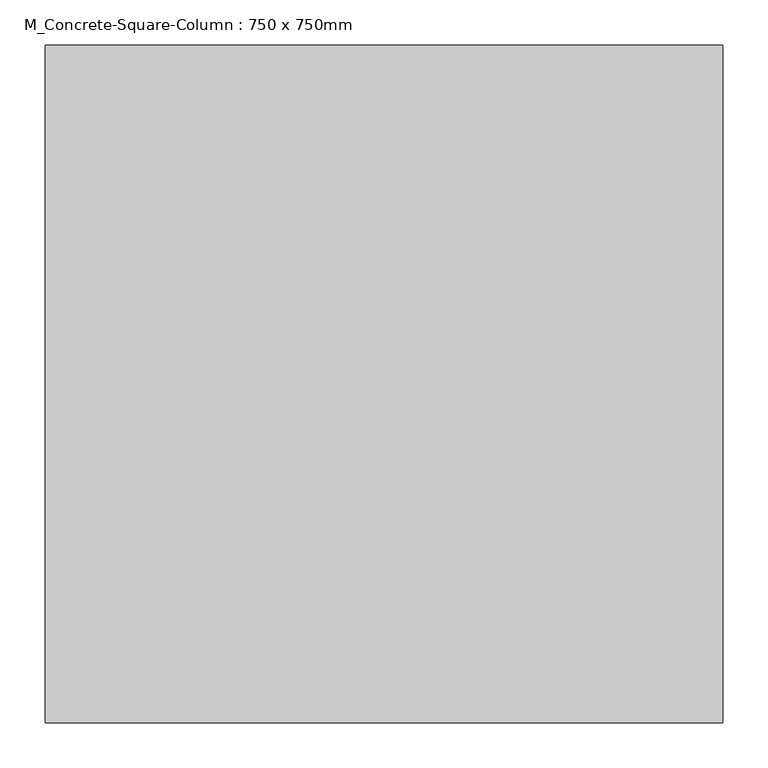
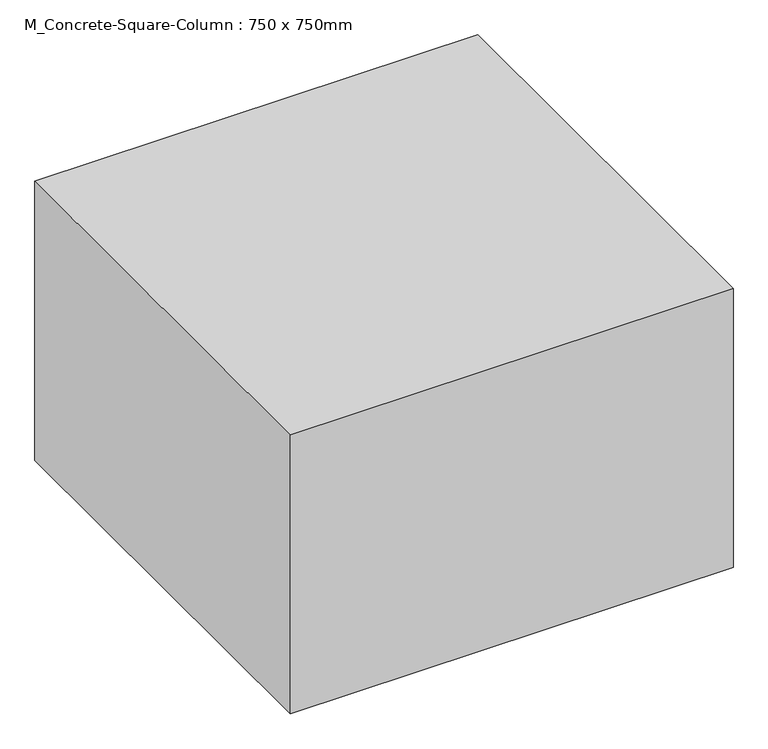
"""IFC4 building model written with IfcOpenShell, lengths in millimetres: column geometry, M_Concrete-Square-Column : 750 x 750mm."""

from ifc_helpers import new_model, si_unit, origin, origin_with_axes, place, context, project, spatial, polyline, outline, extrude, source, transform, mapped, element, save


def m_concrete_square_column_750_x_750mm_b33905ae(model_context):
    return source(origin(), model_context, "Body", "SweptSolid", [
        extrude(outline(polyline([(375.0, 375.0), (375.0, -375.0), (-375.0, -375.0), (-375.0, 375.0), (375.0, 375.0)])), origin_with_axes(), (0.0, 0.0, 1.0), 500.0),
    ])


if __name__ == "__main__":
    model = new_model("IFC4")
    model_context = context("Model", 3, world=origin())
    ifc_project = project(units=[si_unit("LENGTHUNIT", "METRE", prefix="MILLI")], contexts=[model_context])
    site = spatial("IfcSite", under=ifc_project)
    building = spatial("IfcBuilding", under=site)
    placement = place(None, origin())
    m_concrete_square_column_750_x_750mm_shape = m_concrete_square_column_750_x_750mm_b33905ae(model_context)
    element("IfcColumn", 1, ObjectType="M_Concrete-Square-Column : 750 x 750mm", at=placement, inside=building, context=model_context, shape_type="MappedRepresentation", body=[
        mapped(m_concrete_square_column_750_x_750mm_shape, transform((0.0, 0.0, 0.0), x_axis=(1.0, 0.0, 0.0), y_axis=(0.0, 1.0, 0.0), z_axis=(0.0, 0.0, 1.0))),
    ])
    save(model, "model.ifc")
